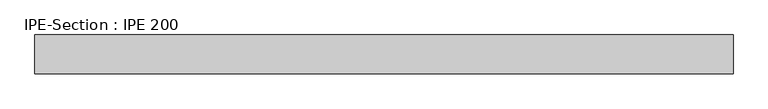
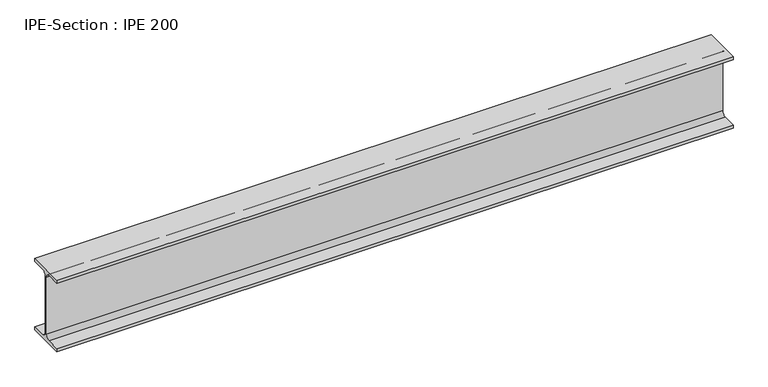
"""IFC4 building model written with IfcOpenShell, lengths in millimetres: beam geometry, IPE-Section : IPE 200."""

from ifc_helpers import new_model, si_unit, point, frame, frame_2d, origin, place, context, project, spatial, polyline, circle_curve, trimmed, segment, composite_curve, outline, extrude, source, transform, mapped, element, save


def ipe_section_ipe_200_8d47f4f0(model_context):
    return source(origin(), model_context, "Body", "SweptSolid", [
        extrude(outline(composite_curve([segment(polyline([(-50.0, -91.5), (-14.8, -91.5)]), True, "CONTINUOUS"), segment(trimmed(circle_curve(frame_2d((-14.8, -79.5)), 12.0), [point((-14.8, -91.5))], [point((-2.8, -79.5))], True, "CARTESIAN"), True, "CONTINUOUS"), segment(polyline([(-2.8, -79.5), (-2.8, 79.5)]), True, "CONTINUOUS"), segment(trimmed(circle_curve(frame_2d((-14.8, 79.5)), 12.0), [point((-2.8, 79.5))], [point((-14.8, 91.5))], True, "CARTESIAN"), True, "CONTINUOUS"), segment(polyline([(-14.8, 91.5), (-50.0, 91.5), (-50.0, 100.0), (50.0, 100.0), (50.0, 91.5), (14.8, 91.5)]), True, "CONTINUOUS"), segment(trimmed(circle_curve(frame_2d((14.8, 79.5)), 12.0), [point((14.8, 91.5))], [point((2.8, 79.5))], True, "CARTESIAN"), True, "CONTINUOUS"), segment(polyline([(2.8, 79.5), (2.8, -79.5)]), True, "CONTINUOUS"), segment(trimmed(circle_curve(frame_2d((14.8, -79.5)), 12.0), [point((2.8, -79.5))], [point((14.8, -91.5))], True, "CARTESIAN"), True, "CONTINUOUS"), segment(polyline([(14.8, -91.5), (50.0, -91.5), (50.0, -100.0), (-50.0, -100.0), (-50.0, -91.5)]), True, "CONTINUOUS")], self_intersect=False)), frame((-857.8278918, 0.0, 0.0), z_axis=(1.0, 0.0, 0.0), x_axis=(0.0, 1.0, 0.0)), (0.0, 0.0, 1.0), 1787.9971307),
    ])


if __name__ == "__main__":
    model = new_model("IFC4")
    model_context = context("Model", 3, world=origin())
    ifc_project = project(units=[si_unit("LENGTHUNIT", "METRE", prefix="MILLI")], contexts=[model_context])
    site = spatial("IfcSite", under=ifc_project)
    building = spatial("IfcBuilding", under=site)
    placement = place(None, origin())
    ipe_section_ipe_200_shape = ipe_section_ipe_200_8d47f4f0(model_context)
    element("IfcBeam", 1, ObjectType="IPE-Section : IPE 200", at=placement, inside=building, context=model_context, shape_type="MappedRepresentation", body=[
        mapped(ipe_section_ipe_200_shape, transform((0.0, 0.0, 0.0), x_axis=(1.0, 0.0, 0.0), y_axis=(0.0, 1.0, 0.0), z_axis=(0.0, 0.0, 1.0))),
    ])
    save(model, "model.ifc")
